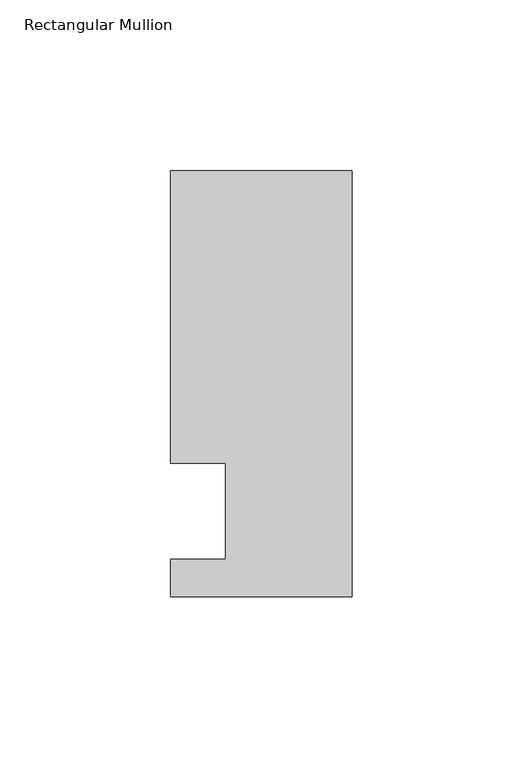
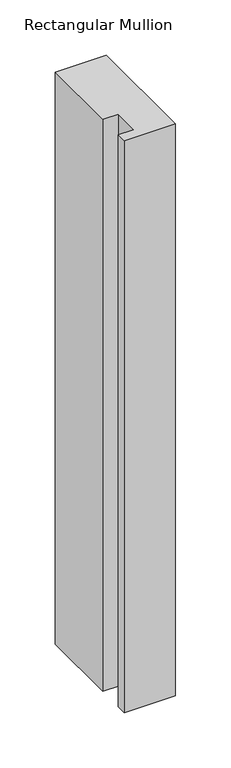
"""IFC4 building model written with IfcOpenShell, lengths in millimetres: member geometry, Rectangular Mullion."""

from ifc_helpers import new_model, si_unit, frame, origin, place, context, project, spatial, polyline, outline, extrude, source, transform, mapped, element, save


def rectangular_mullion_0ecb23c5(model_context):
    return source(origin(), model_context, "Body", "SweptSolid", [
        extrude(outline(polyline([(0.0, -25.0), (-53.0, -25.0), (-53.0, -14.0), (-37.0, -14.0), (-37.0, 14.0), (-53.0, 14.0), (-53.0, 99.5), (0.0, 99.5), (0.0, -25.0)])), frame((0.0, 0.0, -629.9889728), z_axis=(0.0, 0.0, 1.0), x_axis=(1.0, 0.0, 0.0)), (0.0, 0.0, 1.0), 629.9889728),
    ])


if __name__ == "__main__":
    model = new_model("IFC4")
    model_context = context("Model", 3, world=origin())
    ifc_project = project(units=[si_unit("LENGTHUNIT", "METRE", prefix="MILLI")], contexts=[model_context])
    site = spatial("IfcSite", under=ifc_project)
    building = spatial("IfcBuilding", under=site)
    placement = place(None, origin())
    rectangular_mullion_shape = rectangular_mullion_0ecb23c5(model_context)
    element("IfcMember", 1, ObjectType="Rectangular Mullion", at=placement, inside=building, context=model_context, shape_type="MappedRepresentation", body=[
        mapped(rectangular_mullion_shape, transform((0.0, 0.0, 0.0), x_axis=(1.0, 0.0, 0.0), y_axis=(0.0, 1.0, 0.0), z_axis=(0.0, 0.0, 1.0))),
    ])
    save(model, "model.ifc")
